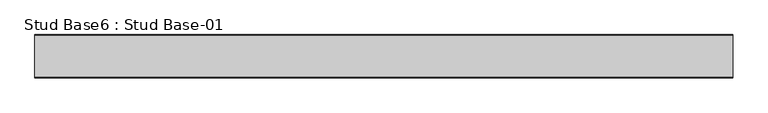
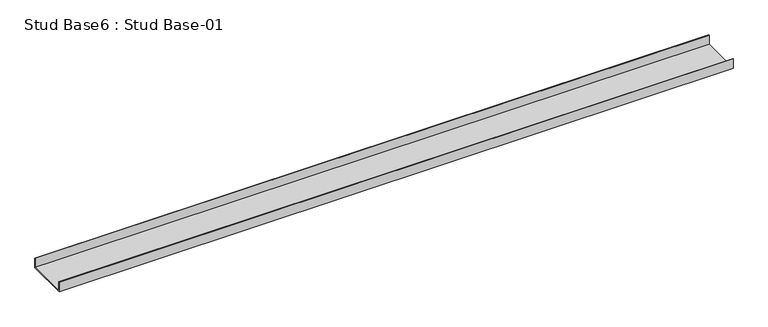
"""IFC4 building model written with IfcOpenShell, lengths in millimetres: proxy geometry, Stud Base6 : Stud Base-01."""

from ifc_helpers import new_model, si_unit, frame, origin, place, context, project, spatial, polyline, outline, extrude, source, transform, mapped, element, save


def stud_base6_stud_base_01_f440f772(model_context):
    return source(origin(), model_context, "Body", "SweptSolid", [
        extrude(outline(polyline([(-487.1, 8812.0), (-641.1109375, 8812.0), (-641.1109375, 8849.0), (-639.6109375, 8849.0), (-639.6109375, 8814.0), (-488.6, 8814.0), (-488.6, 8849.0), (-487.1, 8849.0), (-487.1, 8812.0)])), frame((-12586.1749894, 0.0, 0.0), z_axis=(1.0, 0.0, 0.0), x_axis=(0.0, 1.0, 0.0)), (0.0, 0.0, 1.0), 2484.0),
    ])


if __name__ == "__main__":
    model = new_model("IFC4")
    model_context = context("Model", 3, world=origin())
    ifc_project = project(units=[si_unit("LENGTHUNIT", "METRE", prefix="MILLI")], contexts=[model_context])
    site = spatial("IfcSite", under=ifc_project)
    building = spatial("IfcBuilding", under=site)
    placement = place(None, origin())
    stud_base6_stud_base_01_shape = stud_base6_stud_base_01_f440f772(model_context)
    element("IfcBuildingElementProxy", 1, Name="Stud Base6 : Stud Base-01", ObjectType="Stud Base6 : Stud Base-01", at=placement, inside=building, context=model_context, shape_type="MappedRepresentation", body=[
        mapped(stud_base6_stud_base_01_shape, transform((0.0, 0.0, 0.0), x_axis=(1.0, 0.0, 0.0), y_axis=(0.0, 1.0, 0.0), z_axis=(0.0, 0.0, 1.0))),
    ])
    save(model, "model.ifc")
